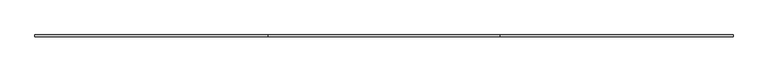
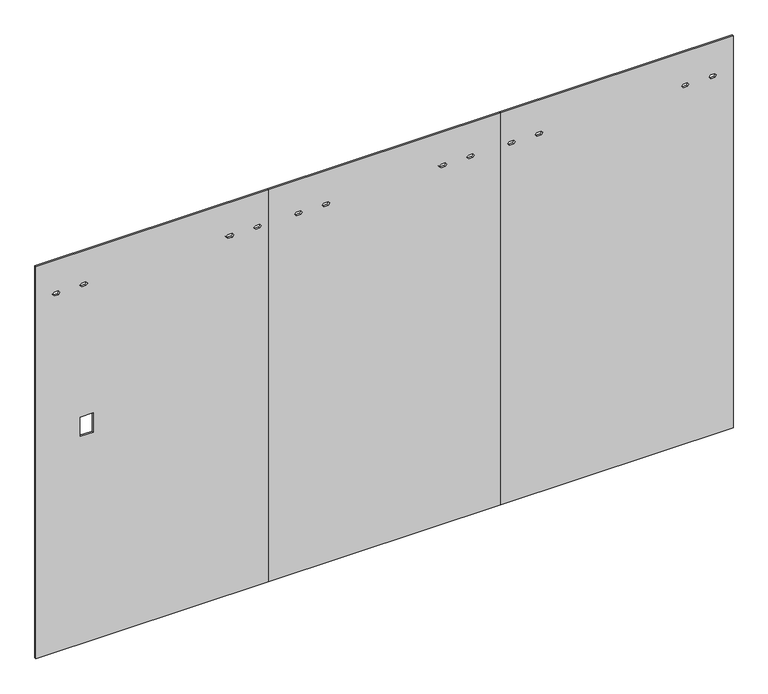
"""IFC4 building model written with IfcOpenShell, lengths in millimetres: furniture geometry."""

from ifc_helpers import new_model, si_unit, frame, origin, place, context, project, spatial, polyline, outline, extrude, source, transform, mapped, element, save


def furniture_add14ec3(model_context):
    return source(origin(), model_context, "Body", "SweptSolid", [
        extrude(outline(polyline([(12.7, 0.0), (12.7, 1219.2), (2186.3010468, 1219.2), (2186.3010468, 0.0), (12.7, 0.0)]), holes=[polyline([(2001.1032968, 999.450017), (2011.0981968, 1007.501817), (2011.0981968, 1029.498217), (2001.1032968, 1037.550017), (1991.1083968, 1029.498217), (1991.1083968, 1007.501817), (2001.1032968, 999.450017)]), polyline([(2001.1032968, 1143.8700171), (2011.0981968, 1151.9218171), (2011.0981968, 1173.9182171), (2001.1032968, 1181.9700171), (1991.1083968, 1173.9182171), (1991.1083968, 1151.9218171), (2001.1032968, 1143.8700171)]), polyline([(2001.1032968, 88.0299829), (2011.0981968, 96.0817829), (2011.0981968, 118.0781829), (2001.1032968, 126.1299829), (1991.1083968, 118.0781829), (1991.1083968, 96.0817829), (2001.1032968, 88.0299829)]), polyline([(2001.1032968, 232.449983), (2011.0981968, 240.501783), (2011.0981968, 262.498183), (2001.1032968, 270.549983), (1991.1083968, 262.498183), (1991.1083968, 240.501783), (2001.1032968, 232.449983)]), polyline([(1271.0668, 233.3610103), (1271.0668, 300.3410789), (1163.3708, 300.3410789), (1163.3708, 233.3610103), (1271.0668, 233.3610103)])]), frame((0.0, -4.7752, 0.0), z_axis=(0.0, 1.0, 0.0), x_axis=(0.0, 0.0, 1.0)), (0.0, 0.0, 1.0), 9.525),
        extrude(outline(polyline([(12.7, 2438.4), (12.7, 3657.6), (2186.3010468, 3657.6), (2186.3010468, 2438.4), (12.7, 2438.4)]), holes=[polyline([(2001.1032968, 2475.584988), (2011.0981968, 2483.636788), (2011.0981968, 2505.633188), (2001.1032968, 2513.684988), (1991.1083968, 2505.633188), (1991.1083968, 2483.636788), (2001.1032968, 2475.584988)]), polyline([(2001.1032968, 2620.0049882), (2011.0981968, 2628.0567882), (2011.0981968, 2650.0531882), (2001.1032968, 2658.1049882), (1991.1083968, 2650.0531882), (1991.1083968, 2628.0567882), (2001.1032968, 2620.0049882)]), polyline([(2001.1032968, 3387.050017), (2011.0981968, 3395.101817), (2011.0981968, 3417.098217), (2001.1032968, 3425.150017), (1991.1083968, 3417.098217), (1991.1083968, 3395.101817), (2001.1032968, 3387.050017)]), polyline([(2001.1032968, 3531.4700171), (2011.0981968, 3539.5218171), (2011.0981968, 3561.5182171), (2001.1032968, 3569.5700171), (1991.1083968, 3561.5182171), (1991.1083968, 3539.5218171), (2001.1032968, 3531.4700171)])]), frame((0.0, -4.7752, 0.0), z_axis=(0.0, 1.0, 0.0), x_axis=(0.0, 0.0, 1.0)), (0.0, 0.0, 1.0), 9.525),
        extrude(outline(polyline([(12.7, 1219.2), (12.7, 2438.4), (2186.3010468, 2438.4), (2186.3010468, 1219.2), (12.7, 1219.2)]), holes=[polyline([(2001.1032968, 1357.984988), (2011.0981968, 1366.036788), (2011.0981968, 1388.033188), (2001.1032968, 1396.084988), (1991.1083968, 1388.033188), (1991.1083968, 1366.036788), (2001.1032968, 1357.984988)]), polyline([(2001.1032968, 1502.4049882), (2011.0981968, 1510.4567882), (2011.0981968, 1532.4531882), (2001.1032968, 1540.5049882), (1991.1083968, 1532.4531882), (1991.1083968, 1510.4567882), (2001.1032968, 1502.4049882)]), polyline([(2001.1032968, 2117.0950118), (2011.0981968, 2125.1468118), (2011.0981968, 2147.1432118), (2001.1032968, 2155.1950118), (1991.1083968, 2147.1432118), (1991.1083968, 2125.1468118), (2001.1032968, 2117.0950118)]), polyline([(2001.1032968, 2261.515012), (2011.0981968, 2269.566812), (2011.0981968, 2291.563212), (2001.1032968, 2299.615012), (1991.1083968, 2291.563212), (1991.1083968, 2269.566812), (2001.1032968, 2261.515012)])]), frame((0.0, -4.7752, 0.0), z_axis=(0.0, 1.0, 0.0), x_axis=(0.0, 0.0, 1.0)), (0.0, 0.0, 1.0), 9.525),
    ])


if __name__ == "__main__":
    model = new_model("IFC4")
    model_context = context("Model", 3, world=origin())
    ifc_project = project(units=[si_unit("LENGTHUNIT", "METRE", prefix="MILLI")], contexts=[model_context])
    site = spatial("IfcSite", under=ifc_project)
    building = spatial("IfcBuilding", under=site)
    placement = place(None, origin())
    furniture_shape = furniture_add14ec3(model_context)
    element("IfcFurniture", 1, at=placement, inside=building, context=model_context, shape_type="MappedRepresentation", body=[
        mapped(furniture_shape, transform((0.0, 0.0, 0.0), x_axis=(1.0, 0.0, 0.0), y_axis=(0.0, 1.0, 0.0), z_axis=(0.0, 0.0, 1.0))),
    ])
    save(model, "model.ifc")
